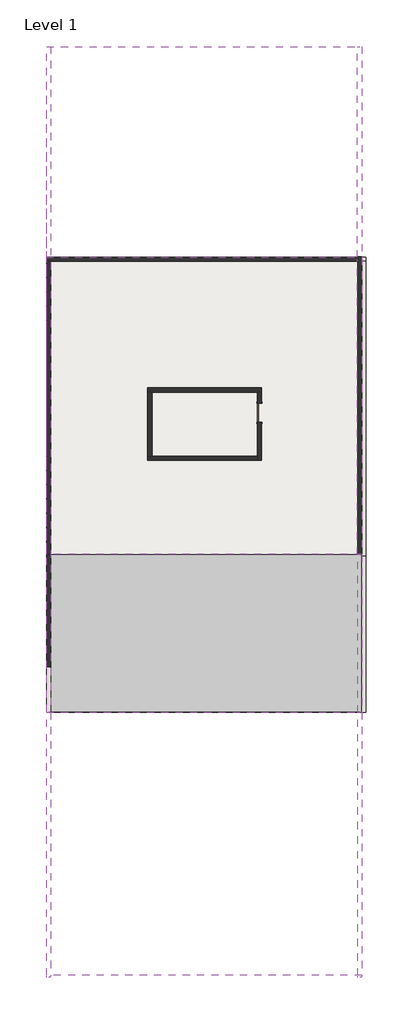
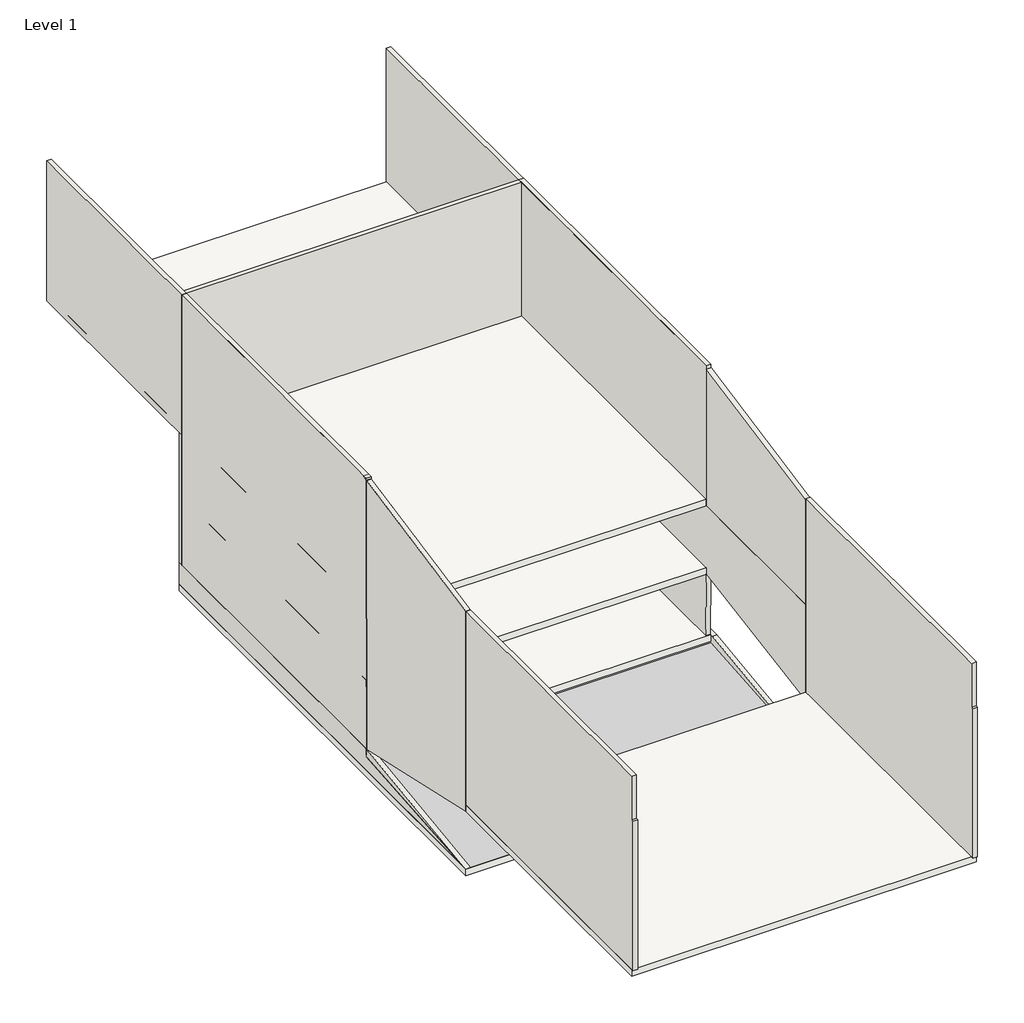
# One storey: 16 walls, 5 slabs, 1 door, 1 ramp.
"""IFC4 building model written with IfcOpenShell, lengths in millimetres."""

import ifcopenshell
import ifcopenshell.guid

model = None  # the IFC model being written
_history = None  # IfcOwnerHistory: only IFC2X3 demands one
_inside = {}  # id of a spatial element -> (the spatial element, [elements in it])
_under = {}  # id of a project, library or spatial element -> (it, [spatial elements below it])
_declared = {}  # id of a project -> (the project, [libraries it declares])
_typed = {}  # id of a type object -> (the type object, [elements of that type])
_made_of = {}  # id of a material, layer set ... -> (it, [elements and type objects made of it])


def new_model(schema):
    """Start an empty IFC model of exactly this schema.

    Asked for "IFC4X3", IfcOpenShell would pick the latest addendum, in which some entities
    have other attributes; the version numbers below select the first issue.
    IFC2X3 requires an IfcOwnerHistory on every rooted entity: one is made here for all.
    """
    global model, _history
    if schema == "IFC4X3":
        model = ifcopenshell.file(schema_version=(4, 3, 0, 0))
    else:
        model = ifcopenshell.file(schema=schema)
    _inside.clear()
    _under.clear()
    _declared.clear()
    _typed.clear()
    _made_of.clear()
    _history = None
    if model.schema == "IFC2X3":
        org = make("IfcOrganization", Name="unknown")
        user = make(
            "IfcPersonAndOrganization",
            ThePerson=make("IfcPerson", FamilyName="unknown"),
            TheOrganization=org,
        )
        app = make(
            "IfcApplication",
            ApplicationDeveloper=org,
            Version="unknown",
            ApplicationFullName="unknown",
            ApplicationIdentifier="unknown",
        )
        _history = make(
            "IfcOwnerHistory",
            OwningUser=user,
            OwningApplication=app,
            ChangeAction="ADDED",
            CreationDate=0,
        )
    return model


def make(cls, **values):
    """One entity of the class cls with the attributes given. An attribute that is None is left unset."""
    return model.create_entity(
        cls, **{name: value for name, value in values.items() if value is not None}
    )


def rooted(cls, **values):
    """An entity with a GlobalId (a new one), such as an element, a storey or a relation."""
    return make(cls, GlobalId=ifcopenshell.guid.new(), OwnerHistory=_history, **values)


def si_unit(unit_type, name, prefix=None):
    """IfcSIUnit, for example si_unit("LENGTHUNIT", "METRE", prefix="MILLI")."""
    return make("IfcSIUnit", UnitType=unit_type, Prefix=prefix, Name=name)


def assignment(units):
    """IfcUnitAssignment: the units of a project."""
    return None if units is None else make("IfcUnitAssignment", Units=units)


def point(xyz):
    """IfcCartesianPoint."""
    return None if xyz is None else make("IfcCartesianPoint", Coordinates=xyz)


def direction(xyz):
    """IfcDirection."""
    return None if xyz is None else make("IfcDirection", DirectionRatios=xyz)


def frame(location, z_axis=None, x_axis=None):
    """IfcAxis2Placement3D, a coordinate frame: its origin and axes. An axis left out is left unset."""
    return make(
        "IfcAxis2Placement3D",
        Location=point(location),
        Axis=direction(z_axis),
        RefDirection=direction(x_axis),
    )


def origin():
    """The frame at (0, 0, 0) with its axes left unset."""
    return frame((0.0, 0.0, 0.0))


def origin_with_axes():
    """The frame at (0, 0, 0) with the z axis (0, 0, 1) and the x axis (1, 0, 0) written out."""
    return frame((0.0, 0.0, 0.0), z_axis=(0.0, 0.0, 1.0), x_axis=(1.0, 0.0, 0.0))


def place(relative_to, where):
    """IfcLocalPlacement: puts the frame where relative to a parent placement (None: the world)."""
    return make(
        "IfcLocalPlacement", PlacementRelTo=relative_to, RelativePlacement=where
    )


def context(
    kind, dimensions, precision=None, world=None, true_north=None, identifier=None
):
    """IfcGeometricRepresentationContext, for example the 3D "Model" context."""
    return make(
        "IfcGeometricRepresentationContext",
        ContextIdentifier=identifier,
        ContextType=kind,
        CoordinateSpaceDimension=dimensions,
        Precision=precision,
        WorldCoordinateSystem=world,
        TrueNorth=true_north,
    )


def project(units=None, contexts=None):
    """IfcProject with its units and contexts."""
    return rooted(
        "IfcProject",
        Name="project",
        RepresentationContexts=contexts,
        UnitsInContext=assignment(units),
    )


def spatial(cls, under=None, at=None, **own):
    """A site, building, storey or space (cls), placed at a placement, below another one or the project."""
    s = rooted(cls, ObjectPlacement=at, **own)
    if under is not None:
        _under.setdefault(under.id(), (under, []))[1].append(s)
    return s


def polyline(points):
    """IfcPolyline through the points."""
    return make("IfcPolyline", Points=[point(p) for p in points])


def outline(outer, holes=None, kind="AREA"):
    """IfcArbitraryClosedProfileDef: a profile drawn as a closed curve; with holes, ...WithVoids."""
    if holes is None:
        return make("IfcArbitraryClosedProfileDef", ProfileType=kind, OuterCurve=outer)
    return make(
        "IfcArbitraryProfileDefWithVoids",
        ProfileType=kind,
        OuterCurve=outer,
        InnerCurves=holes,
    )


def extrude(swept, where, along, depth):
    """IfcExtrudedAreaSolid: the profile swept, set in the frame where, extruded along a direction by depth."""
    return make(
        "IfcExtrudedAreaSolid",
        SweptArea=swept,
        Position=where,
        ExtrudedDirection=direction(along),
        Depth=depth,
    )


def faces_of(points, faces, orient=None, outer=None):
    """IfcFace entities. A face is a list of loops; a loop is a list of indices into points, from 0.

    orient and outer hold one flag for each loop. By default every Orientation is true, the
    first loop of a face is its IfcFaceOuterBound and the others are IfcFaceBound.
    """
    made = []
    for i, loops in enumerate(faces):
        bounds = []
        for j, loop in enumerate(loops):
            is_outer = j == 0 if outer is None else outer[i][j]
            bounds.append(
                make(
                    "IfcFaceOuterBound" if is_outer else "IfcFaceBound",
                    Bound=make("IfcPolyLoop", Polygon=[points[k] for k in loop]),
                    Orientation=True if orient is None else orient[i][j],
                )
            )
        made.append(make("IfcFace", Bounds=bounds))
    return made


def faceted_brep(points, faces, orient=None, outer=None, voids=None):
    """IfcFacetedBrep: a solid bounded by flat faces; with voids (closed shells), ...WithVoids."""
    shared = [point(p) for p in points]
    hull = make("IfcClosedShell", CfsFaces=faces_of(shared, faces, orient, outer))
    if voids is None:
        return make("IfcFacetedBrep", Outer=hull)
    return make(
        "IfcFacetedBrepWithVoids",
        Outer=hull,
        Voids=[
            make(cls, CfsFaces=faces_of(shared, fs, o, b)) for cls, fs, o, b in voids
        ],
    )


def shape(context_of_items, identifier, shape_type, items):
    """IfcShapeRepresentation: the items that make up one representation, for example the "Body"."""
    return make(
        "IfcShapeRepresentation",
        ContextOfItems=context_of_items,
        RepresentationIdentifier=identifier,
        RepresentationType=shape_type,
        Items=items,
    )


def source(mapping_origin, context_of_items, identifier, shape_type, items):
    """IfcRepresentationMap: a shape defined once, which mapped items show again and again."""
    return make(
        "IfcRepresentationMap",
        MappingOrigin=mapping_origin,
        MappedRepresentation=shape(context_of_items, identifier, shape_type, items),
    )


def transform(
    local_origin,
    x_axis=None,
    y_axis=None,
    z_axis=None,
    scale=None,
    scale2=None,
    scale3=None,
    uniform=True,
):
    """IfcCartesianTransformationOperator3D, or its non-uniform kind. x_axis, y_axis, z_axis: its Axis1, 2, 3."""
    if uniform:
        return make(
            "IfcCartesianTransformationOperator3D",
            Axis1=direction(x_axis),
            Axis2=direction(y_axis),
            LocalOrigin=point(local_origin),
            Scale=scale,
            Axis3=direction(z_axis),
        )
    return make(
        "IfcCartesianTransformationOperator3DnonUniform",
        Axis1=direction(x_axis),
        Axis2=direction(y_axis),
        LocalOrigin=point(local_origin),
        Scale=scale,
        Axis3=direction(z_axis),
        Scale2=scale2,
        Scale3=scale3,
    )


def mapped(mapping_source, mapping_target):
    """IfcMappedItem: shows the shape of a source again, moved by a transform."""
    return make(
        "IfcMappedItem", MappingSource=mapping_source, MappingTarget=mapping_target
    )


def made_of(thing, what):
    """Note that an element or type object is made of a material, layer set ...; save() writes the relation."""
    if what is not None:
        _made_of.setdefault(what.id(), (what, []))[1].append(thing)
    return thing


def element(
    cls,
    number,
    at=None,
    inside=None,
    cuts=None,
    type_object=None,
    material=None,
    context=None,
    identifier="Body",
    shape_type=None,
    held_by="IfcProductDefinitionShape",
    body=None,
    shapes=None,
    **own,
):
    """One element of the class cls, such as IfcWall. Its Tag is "e" and its number.

    at: its placement. inside: the storey or other place that contains it. cuts: it is an
    opening in that element (IfcRelVoidsElement). A single representation is given by context,
    identifier, shape_type and body (its items); several are given by shapes. held_by: the class
    of the entity that holds the representations. save() writes the other relations.
    """
    e = rooted(cls, Tag="e%d" % number, ObjectPlacement=at, **own)
    if body is not None:
        shapes = [shape(context, identifier, shape_type, body)]
    if shapes is not None:
        e.Representation = make(held_by, Representations=shapes)
    if inside is not None:
        _inside.setdefault(inside.id(), (inside, []))[1].append(e)
    if cuts is not None:
        rooted(
            "IfcRelVoidsElement", RelatingBuildingElement=cuts, RelatedOpeningElement=e
        )
    if type_object is not None:
        _typed.setdefault(type_object.id(), (type_object, []))[1].append(e)
    return made_of(e, material)


def aggregate(whole, parts):
    """IfcRelAggregates: a whole, such as a stair, and the parts it consists of."""
    return rooted("IfcRelAggregates", RelatingObject=whole, RelatedObjects=parts)


def save(model, path):
    """Write the relations noted so far, then the file.

    IfcRelAggregates (storeys below a building ...), IfcRelContainedInSpatialStructure (elements
    in a storey), IfcRelDefinesByType, IfcRelAssociatesMaterial and IfcRelDeclares: one each for
    every whole, place, type object, material and project.
    """
    for whole, parts in _under.values():
        aggregate(whole, parts)
    for where, things in _inside.values():
        rooted(
            "IfcRelContainedInSpatialStructure",
            RelatedElements=things,
            RelatingStructure=where,
        )
    for kind, things in _typed.values():
        rooted("IfcRelDefinesByType", RelatedObjects=things, RelatingType=kind)
    for what, things in _made_of.values():
        rooted("IfcRelAssociatesMaterial", RelatedObjects=things, RelatingMaterial=what)
    for by, libraries in _declared.values():
        rooted("IfcRelDeclares", RelatingContext=by, RelatedDefinitions=libraries)
    model.write(path)


def door_54dd4da4(model_context):
    return source(origin(), model_context, "Body", "SweptSolid", [
        extrude(outline(polyline([(2209.8, -533.4), (0.0, -533.4), (0.0, -457.2), (2133.6, -457.2), (2133.6, 457.2), (0.0, 457.2), (0.0, 533.4), (2209.8, 533.4), (2209.8, -533.4)])), frame((0.0, 101.6, 0.0), z_axis=(0.0, 1.0, 0.0), x_axis=(0.0, 0.0, 1.0)), (0.0, 0.0, 1.0), 25.4),
        extrude(outline(polyline([(2209.8, 533.4), (2209.8, -533.4), (0.0, -533.4), (0.0, -457.2), (2133.6, -457.2), (2133.6, 457.2), (0.0, 457.2), (0.0, 533.4), (2209.8, 533.4)])), frame((0.0, -127.0, 0.0), z_axis=(0.0, 1.0, 0.0), x_axis=(0.0, 0.0, 1.0)), (0.0, 0.0, 1.0), 25.4),
        extrude(outline(polyline([(457.2, 50.8), (-457.2, 50.8), (-457.2, 101.6), (457.2, 101.6), (457.2, 50.8)])), origin_with_axes(), (0.0, 0.0, 1.0), 2133.6),
    ])


def ramp_2_df132586(model_context):
    return source(origin(), model_context, "Body", "SweptSolid", [
        extrude(outline(polyline([(11815.0854027, -1000.0), (19435.0854027, -365.0), (19435.0854027, -441.4641256), (11815.0854027, -1076.4641256), (11815.0854027, -1000.0)])), frame((-46979.427995, 0.0, 0.0), z_axis=(1.0, 0.0, 0.0), x_axis=(0.0, 1.0, 0.0)), (0.0, 0.0, 1.0), 15240.0),
    ])


model = new_model("IFC4")

# Units and contexts
model_context = context("Model", 3, world=origin())
ifc_project = project(units=[si_unit("LENGTHUNIT", "METRE", prefix="MILLI")], contexts=[model_context])

# Site, building, storey
site = spatial("IfcSite", under=ifc_project)
building = spatial("IfcBuilding", under=site)
storey = spatial("IfcBuildingStorey", under=building, Name="Level 1", Elevation=0.0)

# Door
placement = place(None, origin())
door_shape = door_54dd4da4(model_context)
element("IfcDoor", 1, ObjectType="Single-Flush : 36\" x 84\"", at=placement, inside=storey, context=model_context, shape_type="MappedRepresentation", body=[
    mapped(door_shape, transform((-36685.4919276, 26270.0716553, 0.0), x_axis=(0.0, 1.0, 0.0), y_axis=(-1.0, 0.0, 0.0), z_axis=(0.0, 0.0, 1.0))),
])

# Ramp
ramp_2_shape = ramp_2_df132586(model_context)
element("IfcRamp", 2, ObjectType="Ramp 2", at=placement, inside=storey, context=model_context, shape_type="MappedRepresentation", body=[
    mapped(ramp_2_shape, transform((0.0, 0.0, 0.0), x_axis=(1.0, 0.0, 0.0), y_axis=(0.0, 1.0, 0.0), z_axis=(0.0, 0.0, 1.0))),
])

# Slabs
element("IfcSlab", 3, ObjectType="Generic - 12\"", at=placement, inside=storey, context=model_context, shape_type="SweptSolid", body=[
    extrude(outline(polyline([(-31739.427995, -884.9145973), (-46979.427995, -884.9145973), (-46979.427995, 11815.0854027), (-31739.427995, 11815.0854027), (-31739.427995, -884.9145973)])), frame((0.0, 0.0, 1695.2), z_axis=(0.0, 0.0, 1.0), x_axis=(1.0, 0.0, 0.0)), (0.0, 0.0, 1.0), 304.8),
])
element("IfcSlab", 4, ObjectType="Generic - 12\"", at=placement, inside=storey, context=model_context, shape_type="SweptSolid", body=[
    extrude(outline(polyline([(-46979.427995, 19435.0854027), (-46979.427995, 33786.0854027), (-31739.427995, 33786.0854027), (-31739.427995, 19435.0854027), (-46979.427995, 19435.0854027)])), frame((0.0, 0.0, 2895.2), z_axis=(0.0, 0.0, 1.0), x_axis=(1.0, 0.0, 0.0)), (0.0, 0.0, 1.0), 304.8),
])
element("IfcSlab", 5, ObjectType="Generic - 12\"", at=placement, inside=storey, context=model_context, shape_type="SweptSolid", body=[
    extrude(outline(polyline([(-31739.427995, 19435.0854027), (-46979.427995, 19435.0854027), (-46979.427995, 43946.0854027), (-31739.427995, 43946.0854027), (-31739.427995, 19435.0854027)])), frame((0.0, 0.0, 6095.2), z_axis=(0.0, 0.0, 1.0), x_axis=(1.0, 0.0, 0.0)), (0.0, 0.0, 1.0), 304.8),
])
element("IfcSlab", 6, ObjectType="Generic - 12\"", at=placement, inside=storey, context=model_context, shape_type="SweptSolid", body=[
    extrude(outline(polyline([(-31739.427995, 33786.0854027), (-31739.427995, 19435.0854027), (-46979.427995, 19435.0854027), (-46979.427995, 33786.0854027), (-31739.427995, 33786.0854027)])), frame((0.0, 0.0, -304.8), z_axis=(0.0, 0.0, 1.0), x_axis=(1.0, 0.0, 0.0)), (0.0, 0.0, 1.0), 304.8),
])
element("IfcSlab", 7, ObjectType="Generic - 12\"", at=placement, inside=storey, context=model_context, shape_type="SweptSolid", body=[
    extrude(outline(polyline([(-31739.427995, 33786.0854027), (-31739.427995, 11815.0854027), (-46979.427995, 11815.0854027), (-46979.427995, 33786.0854027), (-31739.427995, 33786.0854027)])), frame((0.0, 0.0, -1304.8), z_axis=(0.0, 0.0, 1.0), x_axis=(1.0, 0.0, 0.0)), (0.0, 0.0, 1.0), 304.8),
])

# Walls
element("IfcWall", 8, ObjectType="Generic - 8\"", at=placement, inside=storey, context=model_context, shape_type="SweptSolid", body=[
    extrude(outline(polyline([(33582.8854027, -1000.0), (11815.0854027, -1000.0), (19335.0854027, 0.0), (33582.8854027, 0.0), (33582.8854027, -1000.0)])), frame((-31739.427995, 0.0, 0.0), z_axis=(1.0, 0.0, 0.0), x_axis=(0.0, 1.0, 0.0)), (0.0, 0.0, 1.0), 203.2),
])
element("IfcWall", 9, ObjectType="Generic - 8\"", at=placement, inside=storey, context=model_context, shape_type="Brep", body=[
    faceted_brep([(-46979.427995, 33786.0854027, -1000.0), (-46979.427995, 11815.0854027, -1000.0), (-46979.427995, 19551.2400762, 0.0), (-46979.427995, 33786.0854027, 0.0), (-46776.227995, 33786.0854027, -1000.0), (-46776.227995, 33786.0854027, 0.0), (-46776.227995, 33582.8854027, 0.0), (-46776.227995, 19551.2400762, 0.0), (-46776.227995, 11815.0854027, -1000.0), (-46776.227995, 33582.8854027, -1000.0)], [[[0, 1, 2, 3]], [[4, 5, 6, 7, 8, 9]], [[0, 3, 5, 4]], [[1, 0, 4, 9, 8]], [[3, 2, 7, 6, 5]], [[2, 1, 8, 7]]]),
])
element("IfcWall", 10, ObjectType="Generic - 8\"", at=placement, inside=storey, context=model_context, shape_type="Brep", body=[
    faceted_brep([(-46776.227995, 33582.8854027, -1000.0), (-31739.427995, 33582.8854027, -1000.0), (-31536.227995, 33582.8854027, -1000.0), (-31536.227995, 33582.8854027, 0.0), (-31739.427995, 33582.8854027, 0.0), (-46776.227995, 33582.8854027, 0.0), (-46776.227995, 33786.0854027, -1000.0), (-46776.227995, 33786.0854027, 0.0), (-31536.227995, 33786.0854027, 0.0), (-31536.227995, 33786.0854027, -1000.0)], [[[0, 1, 2, 3, 4, 5]], [[6, 7, 8, 9]], [[2, 1, 0, 6, 9]], [[5, 4, 3, 8, 7]], [[0, 5, 7, 6]], [[3, 2, 9, 8]]]),
])
element("IfcWall", 11, ObjectType="Generic - 8\"", at=placement, inside=storey, context=model_context, shape_type="Brep", body=[
    faceted_brep([(-31942.6368667, 33794.414117, 0.0), (-31942.6368667, 19489.2748031, -247.7666053), (-31942.6368667, 19434.414117, 2919.6891432), (-31942.6368667, 11814.414117, 1634.0748536), (-31942.6368667, 11814.414117, 2000.0), (-31942.6368667, 11814.414117, 6096.0), (-31942.6368667, 19435.0854027, 6096.0), (-31942.6368667, 19435.0854027, 12648.0), (-31942.6368667, 33794.414117, 12648.0), (-31739.4368667, 33794.414117, 0.0), (-31739.4368667, 33794.414117, 12648.0), (-31739.4368667, 19435.0854027, 12648.0), (-31739.4368667, 19435.0854027, 6096.0), (-31739.4368667, 11814.414117, 6096.0), (-31739.4368667, 11814.414117, 2000.0), (-31739.4368667, 11814.414117, 1634.0748536), (-31739.4368667, 19434.414117, 2919.6891432), (-31739.4368667, 19489.2748031, -247.7666053), (-31939.4368667, 11814.414117, 6096.0)], [[[0, 1, 2, 3, 4, 5, 6, 7, 8]], [[9, 10, 11, 12, 13, 14, 15, 16, 17]], [[1, 0, 9, 17]], [[5, 4, 3, 15, 14, 13, 18]], [[0, 8, 10, 9]], [[2, 1, 17, 16]], [[3, 2, 16, 15]], [[6, 5, 18, 13, 12]], [[6, 12, 11, 7]], [[8, 7, 11, 10]]]),
])
element("IfcWall", 12, ObjectType="Generic - 8\"", at=placement, inside=storey, context=model_context, shape_type="Brep", body=[
    faceted_brep([(-31942.6368667, 33786.0854027, 0.0), (-46979.427995, 33786.0854027, 0.0), (-46979.427995, 33786.0854027, 12648.0), (-31947.6368666, 33786.0854027, 12648.0), (-31947.6368667, 33786.0854027, 6095.2), (-31942.6368667, 33786.0854027, 6095.2), (-31942.6368667, 33582.8854027, 0.0), (-31942.6368667, 33582.8854027, 6095.2), (-31947.6368667, 33582.8854027, 6095.2), (-31947.6368667, 33582.8854027, 12648.0), (-46776.227995, 33582.8854027, 12648.0), (-46979.427995, 33582.8854027, 12648.0), (-46979.427995, 33582.8854027, 0.0), (-46776.227995, 33582.8854027, 0.0)], [[[0, 1, 2, 3, 4, 5]], [[6, 7, 8, 9, 10, 11, 12, 13]], [[1, 0, 6, 13, 12]], [[2, 1, 12, 11]], [[3, 2, 11, 10, 9]], [[4, 8, 7, 5]], [[0, 5, 7, 6]], [[4, 3, 9, 8]]]),
])
element("IfcWall", 13, ObjectType="Generic - 8\"", at=placement, inside=storey, context=model_context, shape_type="SweptSolid", body=[
    extrude(outline(polyline([(33582.8854027, 0.0), (19406.909229, 0.0), (19406.909229, 6096.0), (19435.0854027, 6096.0), (19435.0854027, 12648.0), (33582.8854027, 12648.0), (33582.8854027, 0.0)])), frame((-46979.427995, 0.0, 0.0), z_axis=(1.0, 0.0, 0.0), x_axis=(0.0, 1.0, 0.0)), (0.0, 0.0, 1.0), 203.2),
])
element("IfcWall", 14, ObjectType="Generic - 8\"", at=placement, inside=storey, context=model_context, shape_type="Brep", body=[
    faceted_brep([(-46979.427995, 11815.0854027, 11048.0), (-46979.427995, 11815.0854027, 6095.2), (-46979.427995, 11815.0854027, 2000.0), (-46979.427995, -986.5145973, 2000.0), (-46979.427995, -986.5145973, 9000.0), (-46979.427995, -884.9145973, 9000.0), (-46979.427995, -884.9145973, 11048.0), (-46776.227995, 11815.0854027, 2000.0), (-46776.227995, 11815.0854027, 6095.2), (-46776.227995, 11815.0854027, 11048.0), (-46776.227995, -884.9145973, 11048.0), (-46776.227995, -884.9145973, 9000.0), (-46776.227995, -986.5145973, 9000.0), (-46776.227995, -986.5145973, 2000.0)], [[[0, 1, 2, 3, 4, 5, 6]], [[7, 8, 9, 10, 11, 12, 13]], [[3, 2, 7, 13]], [[4, 3, 13, 12]], [[0, 9, 8, 7, 2, 1]], [[5, 4, 12, 11]], [[5, 11, 10, 6]], [[0, 6, 10, 9]]]),
])
element("IfcWall", 15, ObjectType="Generic - 8\"", at=placement, inside=storey, context=model_context, shape_type="Brep", body=[
    faceted_brep([(-31942.6368667, 11814.414117, 11048.0), (-31942.6368667, 11814.414117, 6096.0), (-31942.6368667, 11814.414117, 2000.0), (-31942.6368667, -986.5145973, 2000.0), (-31942.6368667, -986.5145973, 9000.0), (-31942.6368667, -884.9145973, 9000.0), (-31942.6368667, -884.9145973, 11048.0), (-31739.4368667, 11814.414117, 2000.0), (-31739.4368667, 11814.414117, 6096.0), (-31739.4368667, 11814.414117, 11048.0), (-31739.4368667, -884.9145973, 11048.0), (-31739.4368667, -884.9145973, 9000.0), (-31739.4368667, -986.5145973, 9000.0), (-31739.4368667, -986.5145973, 2000.0)], [[[0, 1, 2, 3, 4, 5, 6]], [[7, 8, 9, 10, 11, 12, 13]], [[3, 2, 7, 13]], [[4, 3, 13, 12]], [[0, 9, 8, 7, 2, 1]], [[5, 4, 12, 11]], [[5, 11, 10, 6]], [[0, 6, 10, 9]]]),
])
element("IfcWall", 16, ObjectType="Generic - 8\"", at=placement, inside=storey, context=model_context, shape_type="SweptSolid", body=[
    extrude(outline(polyline([(43946.0854027, 6095.2), (11815.0854027, 6095.2), (11815.0854027, 11048.0), (19635.0685578, 12604.3060262), (19635.0685578, 12648.0), (43946.0854027, 12648.0), (43946.0854027, 6095.2)])), frame((-46979.427995, 0.0, 0.0), z_axis=(1.0, 0.0, 0.0), x_axis=(0.0, 1.0, 0.0)), (0.0, 0.0, 1.0), 203.2),
])
element("IfcWall", 17, ObjectType="Generic - 8\"", at=placement, inside=storey, context=model_context, shape_type="Brep", body=[
    faceted_brep([(-31947.6368667, 43946.0854027, 6095.2), (-31947.6368667, 33786.0854027, 6095.2), (-31947.6368667, 33582.8854027, 6095.2), (-31947.6368667, 19435.0854027, 6095.2), (-31947.6368667, 19435.0854027, 12648.0), (-31947.6368667, 33582.8854027, 12648.0), (-31947.6368667, 33786.0854027, 12648.0), (-31947.6368667, 43946.0854027, 12648.0), (-31744.4368667, 43946.0854027, 6095.2), (-31744.4368667, 43946.0854027, 12648.0), (-31744.4368667, 19435.0854027, 12648.0), (-31744.4368667, 19435.0854027, 6095.2)], [[[0, 1, 2, 3, 4, 5, 6, 7]], [[8, 9, 10, 11]], [[3, 2, 1, 0, 8, 11]], [[4, 3, 11, 10]], [[0, 7, 9, 8]], [[7, 6, 5, 4, 10, 9]]]),
])
element("IfcWall", 18, ObjectType="Generic - 8\"", at=placement, inside=storey, context=model_context, shape_type="Brep", body=[
    faceted_brep([(-46776.227995, 11815.0854027, 11048.0), (-46776.227995, 11815.0854027, 2000.0), (-46776.227995, 11815.0854027, 1695.2), (-46776.227995, 19406.909229, -11.9395179), (-46776.227995, 19406.909229, 0.0), (-46776.227995, 19406.909229, 6096.0), (-46776.227995, 19406.909229, 12558.898545), (-46979.427995, 11815.0854027, 1695.2), (-46979.427995, 11815.0854027, 2000.0), (-46979.427995, 11815.0854027, 11048.0), (-46979.427995, 19406.909229, 12558.898545), (-46979.427995, 19406.909229, 6096.0), (-46979.427995, 19406.909229, 0.0), (-46979.427995, 19406.909229, -11.9395179)], [[[0, 1, 2, 3, 4, 5, 6]], [[7, 8, 9, 10, 11, 12, 13]], [[3, 2, 7, 13]], [[6, 5, 4, 3, 13, 12, 11, 10]], [[0, 9, 8, 7, 2, 1]], [[0, 6, 10, 9]]]),
])
element("IfcWall", 19, ObjectType="Generic - 8\"", at=placement, inside=storey, context=model_context, shape_type="Brep", body=[
    faceted_brep([(-31736.2368667, 11814.414117, 6096.0), (-31736.2368667, 19435.0854027, 6096.0), (-31736.2368667, 19435.0854027, 12496.0), (-31736.2368667, 11814.414117, 11014.6915596), (-31939.4368667, 11814.414117, 6096.0), (-31939.4368667, 11814.414117, 11014.6915596), (-31939.4368667, 19435.0854027, 12496.0), (-31939.4368667, 19435.0854027, 6096.0), (-31739.4368667, 11814.414117, 6096.0)], [[[0, 1, 2, 3]], [[4, 5, 6, 7]], [[1, 0, 8, 4, 7]], [[2, 1, 7, 6]], [[3, 2, 6, 5]], [[0, 3, 5, 4, 8]]]),
])
element("IfcWall", 20, ObjectType="Generic - 8\"", at=placement, inside=storey, context=model_context, shape_type="Brep", body=[
    faceted_brep([(-42083.8919276, 27268.4716553, 0.0), (-41880.6919276, 27268.4716553, 0.0), (-36787.0919276, 27268.4716553, 0.0), (-36583.8919276, 27268.4716553, 0.0), (-36583.8919276, 27268.4716553, 3000.0), (-36787.0919276, 27268.4716553, 3000.0), (-41880.6919276, 27268.4716553, 3000.0), (-42083.8919276, 27268.4716553, 3000.0), (-42083.8919276, 27471.6716553, 0.0), (-42083.8919276, 27471.6716553, 3000.0), (-36583.8919276, 27471.6716553, 3000.0), (-36583.8919276, 27471.6716553, 0.0)], [[[0, 1, 2, 3, 4, 5, 6, 7]], [[8, 9, 10, 11]], [[3, 2, 1, 0, 8, 11]], [[7, 6, 5, 4, 10, 9]], [[4, 3, 11, 10]], [[0, 7, 9, 8]]]),
])
element("IfcWall", 21, ObjectType="Generic - 8\"", at=placement, inside=storey, context=model_context, shape_type="Brep", body=[
    faceted_brep([(-36787.0919276, 27268.4716553, 0.0), (-36787.0919276, 26727.2716553, 0.0), (-36787.0919276, 26727.2716553, 2133.6), (-36787.0919276, 25812.8716553, 2133.6), (-36787.0919276, 25812.8716553, 0.0), (-36787.0919276, 24174.8716553, 0.0), (-36787.0919276, 23971.6716553, 0.0), (-36787.0919276, 23971.6716553, 3000.0), (-36787.0919276, 24174.8716553, 3000.0), (-36787.0919276, 27268.4716553, 3000.0), (-36583.8919276, 26727.2716553, 2133.6), (-36583.8919276, 26727.2716553, 0.0), (-36583.8919276, 27268.4716553, 0.0), (-36583.8919276, 27268.4716553, 3000.0), (-36583.8919276, 23971.6716553, 3000.0), (-36583.8919276, 23971.6716553, 0.0), (-36583.8919276, 25812.8716553, 0.0), (-36583.8919276, 25812.8716553, 2133.6)], [[[0, 1, 2, 3, 4, 5, 6, 7, 8, 9]], [[10, 11, 12, 13, 14, 15, 16, 17]], [[16, 15, 6, 5, 4]], [[12, 11, 1, 0]], [[9, 8, 7, 14, 13]], [[0, 9, 13, 12]], [[7, 6, 15, 14]], [[2, 1, 11, 10]], [[3, 2, 10, 17]], [[4, 3, 17, 16]]]),
])
element("IfcWall", 22, ObjectType="Generic - 8\"", at=placement, inside=storey, context=model_context, shape_type="Brep", body=[
    faceted_brep([(-36787.0919276, 24174.8716553, 0.0), (-41880.6919276, 24174.8716553, 0.0), (-42083.8919276, 24174.8716553, 0.0), (-42083.8919276, 24174.8716553, 3000.0), (-41880.6919276, 24174.8716553, 3000.0), (-36787.0919276, 24174.8716553, 3000.0), (-36787.0919276, 23971.6716553, 0.0), (-36787.0919276, 23971.6716553, 3000.0), (-42083.8919276, 23971.6716553, 3000.0), (-42083.8919276, 23971.6716553, 0.0)], [[[0, 1, 2, 3, 4, 5]], [[6, 7, 8, 9]], [[2, 1, 0, 6, 9]], [[5, 4, 3, 8, 7]], [[0, 5, 7, 6]], [[3, 2, 9, 8]]]),
])
element("IfcWall", 23, ObjectType="Generic - 8\"", at=placement, inside=storey, context=model_context, shape_type="SweptSolid", body=[
    extrude(outline(polyline([(-41880.6919276, 27268.4716553), (-41880.6919276, 24174.8716553), (-42083.8919276, 24174.8716553), (-42083.8919276, 27268.4716553), (-41880.6919276, 27268.4716553)])), origin_with_axes(), (0.0, 0.0, 1.0), 3000.0),
])

save(model, "model.ifc")
